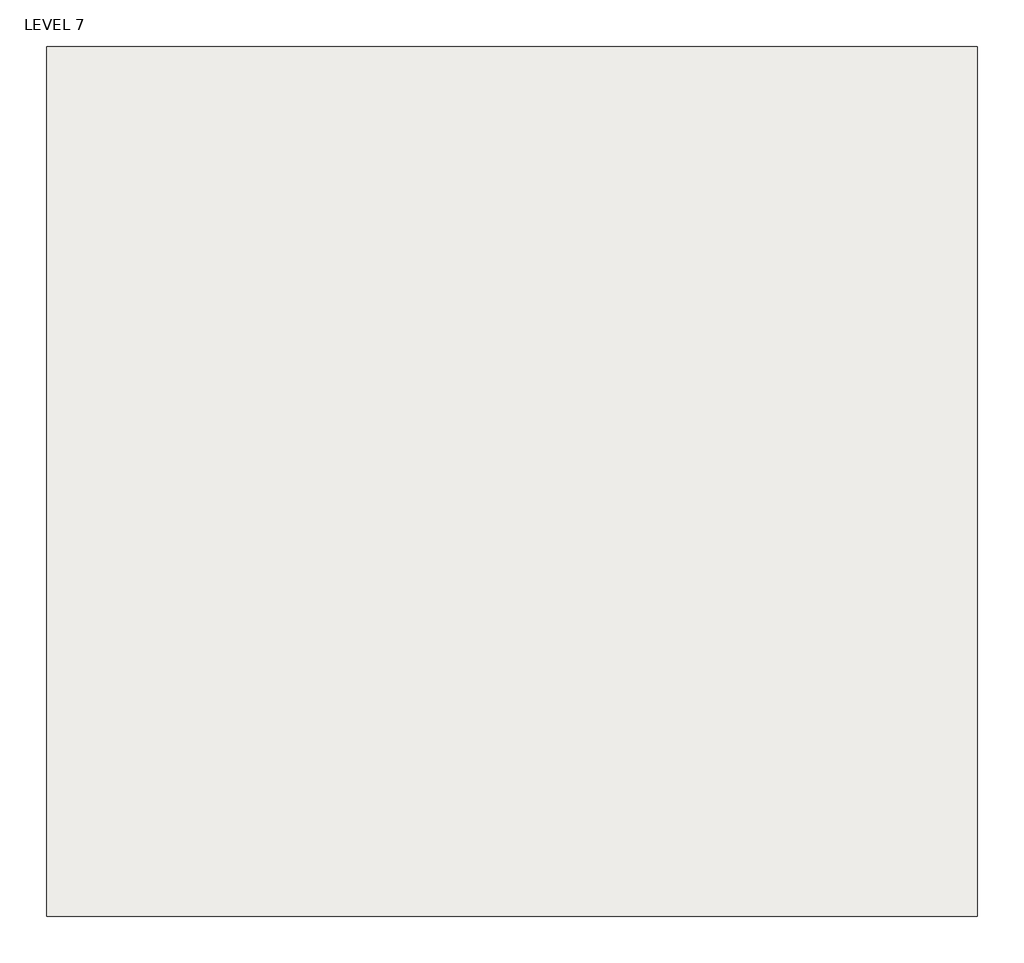
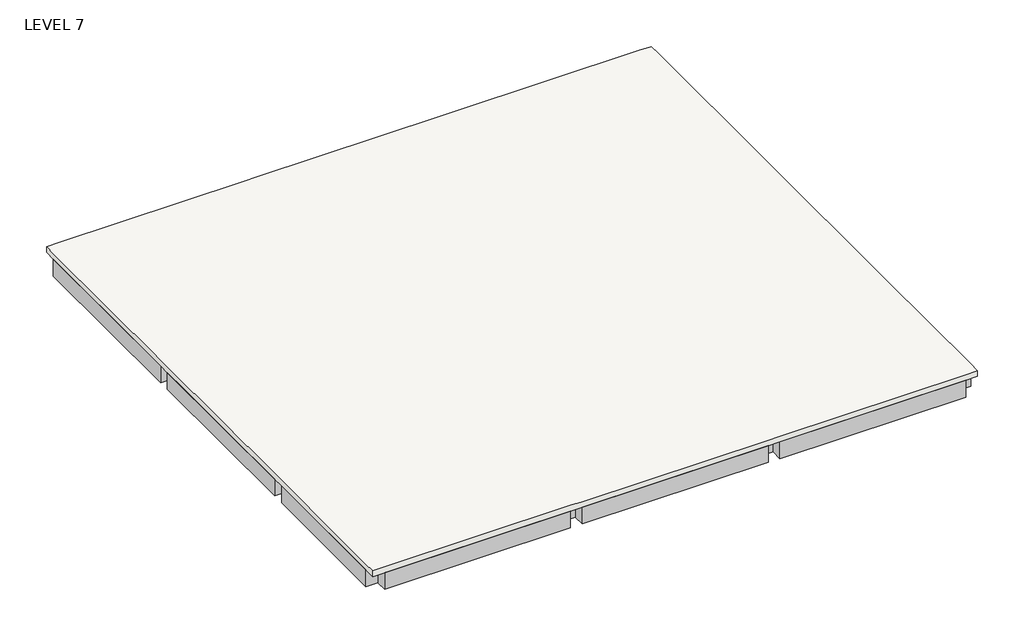
# One storey: 8 beams, 1 slab.
"""IFC4 building model written with IfcOpenShell, lengths in millimetres."""

import ifcopenshell
import ifcopenshell.guid

model = None  # the IFC model being written
_history = None  # IfcOwnerHistory: only IFC2X3 demands one
_inside = {}  # id of a spatial element -> (the spatial element, [elements in it])
_under = {}  # id of a project, library or spatial element -> (it, [spatial elements below it])
_declared = {}  # id of a project -> (the project, [libraries it declares])
_typed = {}  # id of a type object -> (the type object, [elements of that type])
_made_of = {}  # id of a material, layer set ... -> (it, [elements and type objects made of it])


def new_model(schema):
    """Start an empty IFC model of exactly this schema.

    Asked for "IFC4X3", IfcOpenShell would pick the latest addendum, in which some entities
    have other attributes; the version numbers below select the first issue.
    IFC2X3 requires an IfcOwnerHistory on every rooted entity: one is made here for all.
    """
    global model, _history
    if schema == "IFC4X3":
        model = ifcopenshell.file(schema_version=(4, 3, 0, 0))
    else:
        model = ifcopenshell.file(schema=schema)
    _inside.clear()
    _under.clear()
    _declared.clear()
    _typed.clear()
    _made_of.clear()
    _history = None
    if model.schema == "IFC2X3":
        org = make("IfcOrganization", Name="unknown")
        user = make(
            "IfcPersonAndOrganization",
            ThePerson=make("IfcPerson", FamilyName="unknown"),
            TheOrganization=org,
        )
        app = make(
            "IfcApplication",
            ApplicationDeveloper=org,
            Version="unknown",
            ApplicationFullName="unknown",
            ApplicationIdentifier="unknown",
        )
        _history = make(
            "IfcOwnerHistory",
            OwningUser=user,
            OwningApplication=app,
            ChangeAction="ADDED",
            CreationDate=0,
        )
    return model


def make(cls, **values):
    """One entity of the class cls with the attributes given. An attribute that is None is left unset."""
    return model.create_entity(
        cls, **{name: value for name, value in values.items() if value is not None}
    )


def rooted(cls, **values):
    """An entity with a GlobalId (a new one), such as an element, a storey or a relation."""
    return make(cls, GlobalId=ifcopenshell.guid.new(), OwnerHistory=_history, **values)


def si_unit(unit_type, name, prefix=None):
    """IfcSIUnit, for example si_unit("LENGTHUNIT", "METRE", prefix="MILLI")."""
    return make("IfcSIUnit", UnitType=unit_type, Prefix=prefix, Name=name)


def assignment(units):
    """IfcUnitAssignment: the units of a project."""
    return None if units is None else make("IfcUnitAssignment", Units=units)


def point(xyz):
    """IfcCartesianPoint."""
    return None if xyz is None else make("IfcCartesianPoint", Coordinates=xyz)


def direction(xyz):
    """IfcDirection."""
    return None if xyz is None else make("IfcDirection", DirectionRatios=xyz)


def frame(location, z_axis=None, x_axis=None):
    """IfcAxis2Placement3D, a coordinate frame: its origin and axes. An axis left out is left unset."""
    return make(
        "IfcAxis2Placement3D",
        Location=point(location),
        Axis=direction(z_axis),
        RefDirection=direction(x_axis),
    )


def origin():
    """The frame at (0, 0, 0) with its axes left unset."""
    return frame((0.0, 0.0, 0.0))


def place(relative_to, where):
    """IfcLocalPlacement: puts the frame where relative to a parent placement (None: the world)."""
    return make(
        "IfcLocalPlacement", PlacementRelTo=relative_to, RelativePlacement=where
    )


def context(
    kind, dimensions, precision=None, world=None, true_north=None, identifier=None
):
    """IfcGeometricRepresentationContext, for example the 3D "Model" context."""
    return make(
        "IfcGeometricRepresentationContext",
        ContextIdentifier=identifier,
        ContextType=kind,
        CoordinateSpaceDimension=dimensions,
        Precision=precision,
        WorldCoordinateSystem=world,
        TrueNorth=true_north,
    )


def project(units=None, contexts=None):
    """IfcProject with its units and contexts."""
    return rooted(
        "IfcProject",
        Name="project",
        RepresentationContexts=contexts,
        UnitsInContext=assignment(units),
    )


def spatial(cls, under=None, at=None, **own):
    """A site, building, storey or space (cls), placed at a placement, below another one or the project."""
    s = rooted(cls, ObjectPlacement=at, **own)
    if under is not None:
        _under.setdefault(under.id(), (under, []))[1].append(s)
    return s


def polyline(points):
    """IfcPolyline through the points."""
    return make("IfcPolyline", Points=[point(p) for p in points])


def outline(outer, holes=None, kind="AREA"):
    """IfcArbitraryClosedProfileDef: a profile drawn as a closed curve; with holes, ...WithVoids."""
    if holes is None:
        return make("IfcArbitraryClosedProfileDef", ProfileType=kind, OuterCurve=outer)
    return make(
        "IfcArbitraryProfileDefWithVoids",
        ProfileType=kind,
        OuterCurve=outer,
        InnerCurves=holes,
    )


def extrude(swept, where, along, depth):
    """IfcExtrudedAreaSolid: the profile swept, set in the frame where, extruded along a direction by depth."""
    return make(
        "IfcExtrudedAreaSolid",
        SweptArea=swept,
        Position=where,
        ExtrudedDirection=direction(along),
        Depth=depth,
    )


def faces_of(points, faces, orient=None, outer=None):
    """IfcFace entities. A face is a list of loops; a loop is a list of indices into points, from 0.

    orient and outer hold one flag for each loop. By default every Orientation is true, the
    first loop of a face is its IfcFaceOuterBound and the others are IfcFaceBound.
    """
    made = []
    for i, loops in enumerate(faces):
        bounds = []
        for j, loop in enumerate(loops):
            is_outer = j == 0 if outer is None else outer[i][j]
            bounds.append(
                make(
                    "IfcFaceOuterBound" if is_outer else "IfcFaceBound",
                    Bound=make("IfcPolyLoop", Polygon=[points[k] for k in loop]),
                    Orientation=True if orient is None else orient[i][j],
                )
            )
        made.append(make("IfcFace", Bounds=bounds))
    return made


def faceted_brep(points, faces, orient=None, outer=None, voids=None):
    """IfcFacetedBrep: a solid bounded by flat faces; with voids (closed shells), ...WithVoids."""
    shared = [point(p) for p in points]
    hull = make("IfcClosedShell", CfsFaces=faces_of(shared, faces, orient, outer))
    if voids is None:
        return make("IfcFacetedBrep", Outer=hull)
    return make(
        "IfcFacetedBrepWithVoids",
        Outer=hull,
        Voids=[
            make(cls, CfsFaces=faces_of(shared, fs, o, b)) for cls, fs, o, b in voids
        ],
    )


def shape(context_of_items, identifier, shape_type, items):
    """IfcShapeRepresentation: the items that make up one representation, for example the "Body"."""
    return make(
        "IfcShapeRepresentation",
        ContextOfItems=context_of_items,
        RepresentationIdentifier=identifier,
        RepresentationType=shape_type,
        Items=items,
    )


def made_of(thing, what):
    """Note that an element or type object is made of a material, layer set ...; save() writes the relation."""
    if what is not None:
        _made_of.setdefault(what.id(), (what, []))[1].append(thing)
    return thing


def element(
    cls,
    number,
    at=None,
    inside=None,
    cuts=None,
    type_object=None,
    material=None,
    context=None,
    identifier="Body",
    shape_type=None,
    held_by="IfcProductDefinitionShape",
    body=None,
    shapes=None,
    **own,
):
    """One element of the class cls, such as IfcWall. Its Tag is "e" and its number.

    at: its placement. inside: the storey or other place that contains it. cuts: it is an
    opening in that element (IfcRelVoidsElement). A single representation is given by context,
    identifier, shape_type and body (its items); several are given by shapes. held_by: the class
    of the entity that holds the representations. save() writes the other relations.
    """
    e = rooted(cls, Tag="e%d" % number, ObjectPlacement=at, **own)
    if body is not None:
        shapes = [shape(context, identifier, shape_type, body)]
    if shapes is not None:
        e.Representation = make(held_by, Representations=shapes)
    if inside is not None:
        _inside.setdefault(inside.id(), (inside, []))[1].append(e)
    if cuts is not None:
        rooted(
            "IfcRelVoidsElement", RelatingBuildingElement=cuts, RelatedOpeningElement=e
        )
    if type_object is not None:
        _typed.setdefault(type_object.id(), (type_object, []))[1].append(e)
    return made_of(e, material)


def aggregate(whole, parts):
    """IfcRelAggregates: a whole, such as a stair, and the parts it consists of."""
    return rooted("IfcRelAggregates", RelatingObject=whole, RelatedObjects=parts)


def save(model, path):
    """Write the relations noted so far, then the file.

    IfcRelAggregates (storeys below a building ...), IfcRelContainedInSpatialStructure (elements
    in a storey), IfcRelDefinesByType, IfcRelAssociatesMaterial and IfcRelDeclares: one each for
    every whole, place, type object, material and project.
    """
    for whole, parts in _under.values():
        aggregate(whole, parts)
    for where, things in _inside.values():
        rooted(
            "IfcRelContainedInSpatialStructure",
            RelatedElements=things,
            RelatingStructure=where,
        )
    for kind, things in _typed.values():
        rooted("IfcRelDefinesByType", RelatedObjects=things, RelatingType=kind)
    for what, things in _made_of.values():
        rooted("IfcRelAssociatesMaterial", RelatedObjects=things, RelatingMaterial=what)
    for by, libraries in _declared.values():
        rooted("IfcRelDeclares", RelatingContext=by, RelatedDefinitions=libraries)
    model.write(path)


model = new_model("IFC4")

# Units and contexts
model_context = context("Model", 3, world=origin())
ifc_project = project(units=[si_unit("LENGTHUNIT", "METRE", prefix="MILLI")], contexts=[model_context])

# Site, building, storey
site = spatial("IfcSite", under=ifc_project)
building = spatial("IfcBuilding", under=site)
storey = spatial("IfcBuildingStorey", under=building, Name="LEVEL 7", Elevation=8000.0)

# Beams
placement = place(None, origin())
element("IfcBeam", 1, ObjectType="M_Concrete-Rectangular Beam : 300 x 600mm", at=placement, inside=storey, context=model_context, shape_type="SweptSolid", body=[
    extrude(outline(polyline([(-32641.1943878, -22458.351884), (-32641.1943878, -22758.351884), (-37341.1943878, -22758.351884), (-37341.1943878, -22458.351884), (-32641.1943878, -22458.351884)])), frame((0.0, 0.0, 7400.0), z_axis=(0.0, 0.0, 1.0), x_axis=(1.0, 0.0, 0.0)), (0.0, 0.0, 1.0), 450.0),
    extrude(outline(polyline([(-47341.1943878, -22758.351884), (-47341.1943878, -22458.351884), (-42641.1943878, -22458.351884), (-42641.1943878, -22758.351884), (-47341.1943878, -22758.351884)])), frame((0.0, 0.0, 7400.0), z_axis=(0.0, 0.0, 1.0), x_axis=(1.0, 0.0, 0.0)), (0.0, 0.0, 1.0), 450.0),
    extrude(outline(polyline([(-42341.1943878, -22758.351884), (-42341.1943878, -22458.351884), (-37641.1943878, -22458.351884), (-37641.1943878, -22758.351884), (-42341.1943878, -22758.351884)])), frame((0.0, 0.0, 7400.0), z_axis=(0.0, 0.0, 1.0), x_axis=(1.0, 0.0, 0.0)), (0.0, 0.0, 1.0), 450.0),
])
element("IfcBeam", 2, ObjectType="M_Concrete-Rectangular Beam : 300 x 600mm", at=placement, inside=storey, context=model_context, shape_type="SweptSolid", body=[
    extrude(outline(polyline([(-32341.1943878, -36458.351884), (-32641.1943878, -36458.351884), (-32641.1943878, -32758.351884), (-32341.1943878, -32758.351884), (-32341.1943878, -36458.351884)])), frame((0.0, 0.0, 7400.0), z_axis=(0.0, 0.0, 1.0), x_axis=(1.0, 0.0, 0.0)), (0.0, 0.0, 1.0), 450.0),
    extrude(outline(polyline([(-32641.1943878, -22758.351884), (-32341.1943878, -22758.351884), (-32341.1943878, -27458.351884), (-32641.1943878, -27458.351884), (-32641.1943878, -22758.351884)])), frame((0.0, 0.0, 7400.0), z_axis=(0.0, 0.0, 1.0), x_axis=(1.0, 0.0, 0.0)), (0.0, 0.0, 1.0), 450.0),
    extrude(outline(polyline([(-32341.1943878, -32458.351884), (-32641.1943878, -32458.351884), (-32641.1943878, -27758.351884), (-32341.1943878, -27758.351884), (-32341.1943878, -32458.351884)])), frame((0.0, 0.0, 7400.0), z_axis=(0.0, 0.0, 1.0), x_axis=(1.0, 0.0, 0.0)), (0.0, 0.0, 1.0), 450.0),
])
element("IfcBeam", 3, ObjectType="M_Concrete-Rectangular Beam : 300 x 600mm", at=placement, inside=storey, context=model_context, shape_type="SweptSolid", body=[
    extrude(outline(polyline([(-47341.1943878, -36458.351884), (-47641.1943878, -36458.351884), (-47641.1943878, -32758.351884), (-47341.1943878, -32758.351884), (-47341.1943878, -36458.351884)])), frame((0.0, 0.0, 7400.0), z_axis=(0.0, 0.0, 1.0), x_axis=(1.0, 0.0, 0.0)), (0.0, 0.0, 1.0), 450.0),
    extrude(outline(polyline([(-47641.1943878, -22758.351884), (-47341.1943878, -22758.351884), (-47341.1943878, -27458.351884), (-47641.1943878, -27458.351884), (-47641.1943878, -22758.351884)])), frame((0.0, 0.0, 7400.0), z_axis=(0.0, 0.0, 1.0), x_axis=(1.0, 0.0, 0.0)), (0.0, 0.0, 1.0), 450.0),
    extrude(outline(polyline([(-47341.1943878, -32458.351884), (-47641.1943878, -32458.351884), (-47641.1943878, -27758.351884), (-47341.1943878, -27758.351884), (-47341.1943878, -32458.351884)])), frame((0.0, 0.0, 7400.0), z_axis=(0.0, 0.0, 1.0), x_axis=(1.0, 0.0, 0.0)), (0.0, 0.0, 1.0), 450.0),
])
element("IfcBeam", 4, ObjectType="M_Concrete-Rectangular Beam : 300 x 600mm", at=placement, inside=storey, context=model_context, shape_type="SweptSolid", body=[
    extrude(outline(polyline([(-32641.1943878, -36458.351884), (-32641.1943878, -36758.351884), (-37341.1943878, -36758.351884), (-37341.1943878, -36458.351884), (-32641.1943878, -36458.351884)])), frame((0.0, 0.0, 7400.0), z_axis=(0.0, 0.0, 1.0), x_axis=(1.0, 0.0, 0.0)), (0.0, 0.0, 1.0), 450.0),
    extrude(outline(polyline([(-47341.1943878, -36758.351884), (-47341.1943878, -36458.351884), (-42641.1943878, -36458.351884), (-42641.1943878, -36758.351884), (-47341.1943878, -36758.351884)])), frame((0.0, 0.0, 7400.0), z_axis=(0.0, 0.0, 1.0), x_axis=(1.0, 0.0, 0.0)), (0.0, 0.0, 1.0), 450.0),
    extrude(outline(polyline([(-42341.1943878, -36758.351884), (-42341.1943878, -36458.351884), (-37641.1943878, -36458.351884), (-37641.1943878, -36758.351884), (-42341.1943878, -36758.351884)])), frame((0.0, 0.0, 7400.0), z_axis=(0.0, 0.0, 1.0), x_axis=(1.0, 0.0, 0.0)), (0.0, 0.0, 1.0), 450.0),
])
element("IfcBeam", 5, ObjectType="M_Concrete-Rectangular Beam : 300 x 600mm", at=placement, inside=storey, context=model_context, shape_type="SweptSolid", body=[
    extrude(outline(polyline([(-32641.1943878, -27458.351884), (-32641.1943878, -27758.351884), (-37341.1943878, -27758.351884), (-37341.1943878, -27458.351884), (-32641.1943878, -27458.351884)])), frame((0.0, 0.0, 7400.0), z_axis=(0.0, 0.0, 1.0), x_axis=(1.0, 0.0, 0.0)), (0.0, 0.0, 1.0), 450.0),
    extrude(outline(polyline([(-47341.1943878, -27758.351884), (-47341.1943878, -27458.351884), (-42641.1943878, -27458.351884), (-42641.1943878, -27758.351884), (-47341.1943878, -27758.351884)])), frame((0.0, 0.0, 7400.0), z_axis=(0.0, 0.0, 1.0), x_axis=(1.0, 0.0, 0.0)), (0.0, 0.0, 1.0), 450.0),
    extrude(outline(polyline([(-42341.1943878, -27758.351884), (-42341.1943878, -27458.351884), (-37641.1943878, -27458.351884), (-37641.1943878, -27758.351884), (-42341.1943878, -27758.351884)])), frame((0.0, 0.0, 7400.0), z_axis=(0.0, 0.0, 1.0), x_axis=(1.0, 0.0, 0.0)), (0.0, 0.0, 1.0), 450.0),
])
element("IfcBeam", 6, ObjectType="M_Concrete-Rectangular Beam : 300 x 600mm", at=placement, inside=storey, context=model_context, shape_type="SweptSolid", body=[
    extrude(outline(polyline([(-32641.1943878, -32458.351884), (-32641.1943878, -32758.351884), (-37341.1943878, -32758.351884), (-37341.1943878, -32458.351884), (-32641.1943878, -32458.351884)])), frame((0.0, 0.0, 7400.0), z_axis=(0.0, 0.0, 1.0), x_axis=(1.0, 0.0, 0.0)), (0.0, 0.0, 1.0), 450.0),
    extrude(outline(polyline([(-47341.1943878, -32758.351884), (-47341.1943878, -32458.351884), (-42641.1943878, -32458.351884), (-42641.1943878, -32758.351884), (-47341.1943878, -32758.351884)])), frame((0.0, 0.0, 7400.0), z_axis=(0.0, 0.0, 1.0), x_axis=(1.0, 0.0, 0.0)), (0.0, 0.0, 1.0), 450.0),
    extrude(outline(polyline([(-42341.1943878, -32758.351884), (-42341.1943878, -32458.351884), (-37641.1943878, -32458.351884), (-37641.1943878, -32758.351884), (-42341.1943878, -32758.351884)])), frame((0.0, 0.0, 7400.0), z_axis=(0.0, 0.0, 1.0), x_axis=(1.0, 0.0, 0.0)), (0.0, 0.0, 1.0), 450.0),
])
element("IfcBeam", 7, ObjectType="M_Concrete-Rectangular Beam : 300 x 600mm", at=placement, inside=storey, context=model_context, shape_type="SweptSolid", body=[
    extrude(outline(polyline([(-42641.1943878, -32758.351884), (-42341.1943878, -32758.351884), (-42341.1943878, -36458.351884), (-42641.1943878, -36458.351884), (-42641.1943878, -32758.351884)])), frame((0.0, 0.0, 7400.0), z_axis=(0.0, 0.0, 1.0), x_axis=(1.0, 0.0, 0.0)), (0.0, 0.0, 1.0), 450.0),
    extrude(outline(polyline([(-42641.1943878, -27758.351884), (-42341.1943878, -27758.351884), (-42341.1943878, -32458.351884), (-42641.1943878, -32458.351884), (-42641.1943878, -27758.351884)])), frame((0.0, 0.0, 7400.0), z_axis=(0.0, 0.0, 1.0), x_axis=(1.0, 0.0, 0.0)), (0.0, 0.0, 1.0), 450.0),
    extrude(outline(polyline([(-42341.1943878, -27458.351884), (-42641.1943878, -27458.351884), (-42641.1943878, -22758.351884), (-42341.1943878, -22758.351884), (-42341.1943878, -27458.351884)])), frame((0.0, 0.0, 7400.0), z_axis=(0.0, 0.0, 1.0), x_axis=(1.0, 0.0, 0.0)), (0.0, 0.0, 1.0), 450.0),
])
element("IfcBeam", 8, ObjectType="M_Concrete-Rectangular Beam : 300 x 600mm", at=placement, inside=storey, context=model_context, shape_type="SweptSolid", body=[
    extrude(outline(polyline([(-37641.1943878, -32758.351884), (-37341.1943878, -32758.351884), (-37341.1943878, -36458.351884), (-37641.1943878, -36458.351884), (-37641.1943878, -32758.351884)])), frame((0.0, 0.0, 7400.0), z_axis=(0.0, 0.0, 1.0), x_axis=(1.0, 0.0, 0.0)), (0.0, 0.0, 1.0), 450.0),
    extrude(outline(polyline([(-37641.1943878, -27758.351884), (-37341.1943878, -27758.351884), (-37341.1943878, -32458.351884), (-37641.1943878, -32458.351884), (-37641.1943878, -27758.351884)])), frame((0.0, 0.0, 7400.0), z_axis=(0.0, 0.0, 1.0), x_axis=(1.0, 0.0, 0.0)), (0.0, 0.0, 1.0), 450.0),
    extrude(outline(polyline([(-37341.1943878, -27458.351884), (-37641.1943878, -27458.351884), (-37641.1943878, -22758.351884), (-37341.1943878, -22758.351884), (-37341.1943878, -27458.351884)])), frame((0.0, 0.0, 7400.0), z_axis=(0.0, 0.0, 1.0), x_axis=(1.0, 0.0, 0.0)), (0.0, 0.0, 1.0), 450.0),
])

# Slab
element("IfcSlab", 9, ObjectType="150MM RCC STRUCTURAL SLAB", at=placement, inside=storey, context=model_context, shape_type="Brep", body=[
    faceted_brep([(-32341.1943878, -22458.351884, 7850.0), (-32341.1943878, -22758.351884, 7850.0), (-32341.1943878, -27458.351884, 7850.0), (-32341.1943878, -27758.351884, 7850.0), (-32341.1943878, -32458.351884, 7850.0), (-32341.1943878, -32758.351884, 7850.0), (-32341.1943878, -36458.351884, 7850.0), (-32341.1943878, -36758.351884, 7850.0), (-32641.1943878, -36758.351884, 7850.0), (-37341.1943878, -36758.351884, 7850.0), (-37641.1943878, -36758.351884, 7850.0), (-42341.1943878, -36758.351884, 7850.0), (-42641.1943878, -36758.351884, 7850.0), (-47341.1943878, -36758.351884, 7850.0), (-47641.1943878, -36758.351884, 7850.0), (-47641.1943878, -36458.351884, 7850.0), (-47641.1943878, -32758.351884, 7850.0), (-47641.1943878, -32458.351884, 7850.0), (-47641.1943878, -27758.351884, 7850.0), (-47641.1943878, -27458.351884, 7850.0), (-47641.1943878, -22758.351884, 7850.0), (-47641.1943878, -22458.351884, 7850.0), (-47341.1943878, -22458.351884, 7850.0), (-42641.1943878, -22458.351884, 7850.0), (-42341.1943878, -22458.351884, 7850.0), (-37641.1943878, -22458.351884, 7850.0), (-37341.1943878, -22458.351884, 7850.0), (-32641.1943878, -22458.351884, 7850.0), (-32341.1943878, -22458.351884, 8000.0), (-32641.1943878, -22458.351884, 8000.0), (-37341.1943878, -22458.351884, 8000.0), (-37641.1943878, -22458.351884, 8000.0), (-42341.1943878, -22458.351884, 8000.0), (-42641.1943878, -22458.351884, 8000.0), (-47341.1943878, -22458.351884, 8000.0), (-47641.1943878, -22458.351884, 8000.0), (-47641.1943878, -22758.351884, 8000.0), (-47641.1943878, -27458.351884, 8000.0), (-47641.1943878, -27758.351884, 8000.0), (-47641.1943878, -32458.351884, 8000.0), (-47641.1943878, -32758.351884, 8000.0), (-47641.1943878, -36458.351884, 8000.0), (-47641.1943878, -36758.351884, 8000.0), (-47341.1943878, -36758.351884, 8000.0), (-42641.1943878, -36758.351884, 8000.0), (-42341.1943878, -36758.351884, 8000.0), (-37641.1943878, -36758.351884, 8000.0), (-37341.1943878, -36758.351884, 8000.0), (-32641.1943878, -36758.351884, 8000.0), (-32341.1943878, -36758.351884, 8000.0), (-32341.1943878, -36458.351884, 8000.0), (-32341.1943878, -32758.351884, 8000.0), (-32341.1943878, -32458.351884, 8000.0), (-32341.1943878, -27758.351884, 8000.0), (-32341.1943878, -27458.351884, 8000.0), (-32341.1943878, -22758.351884, 8000.0)], [[[0, 1, 2, 3, 4, 5, 6, 7, 8, 9, 10, 11, 12, 13, 14, 15, 16, 17, 18, 19, 20, 21, 22, 23, 24, 25, 26, 27]], [[28, 29, 30, 31, 32, 33, 34, 35, 36, 37, 38, 39, 40, 41, 42, 43, 44, 45, 46, 47, 48, 49, 50, 51, 52, 53, 54, 55]], [[7, 6, 5, 4, 3, 2, 1, 0, 28, 55, 54, 53, 52, 51, 50, 49]], [[14, 13, 12, 11, 10, 9, 8, 7, 49, 48, 47, 46, 45, 44, 43, 42]], [[21, 20, 19, 18, 17, 16, 15, 14, 42, 41, 40, 39, 38, 37, 36, 35]], [[0, 27, 26, 25, 24, 23, 22, 21, 35, 34, 33, 32, 31, 30, 29, 28]]]),
])

save(model, "model.ifc")
